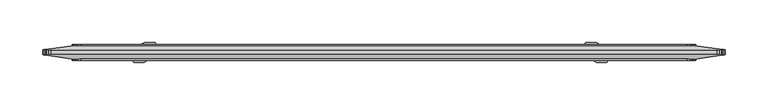
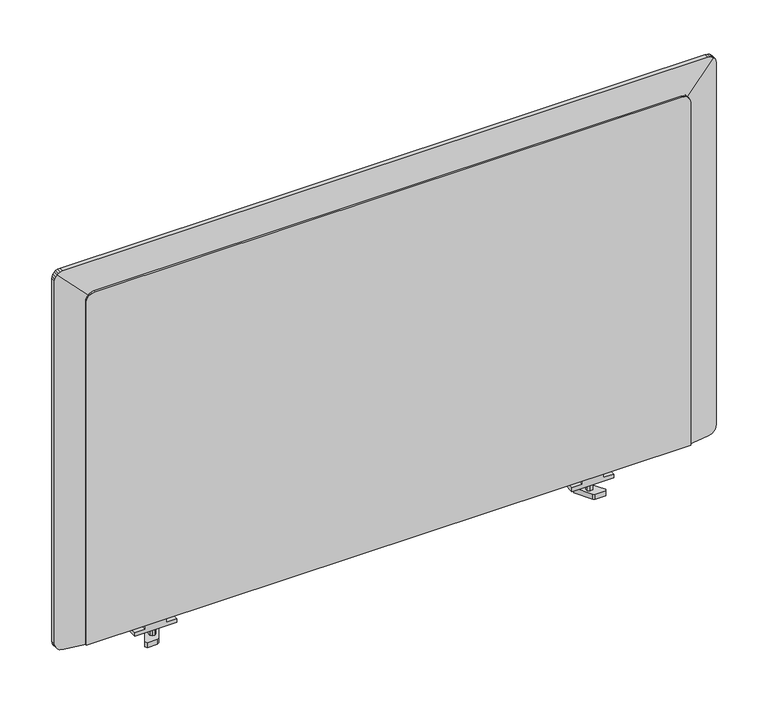
"""IFC4 building model written with IfcOpenShell, lengths in millimetres: furniture geometry."""

from ifc_helpers import new_model, si_unit, frame, origin, place, context, project, spatial, polyline, outline, extrude, faceted_brep, source, transform, mapped, element, save


def furniture_4289000c(model_context):
    return source(origin(), model_context, "Body", "SolidModel", [
        extrude(outline(polyline([(554.9712052, 677.6719985), (559.6701917, 677.6719985), (559.6701917, 664.9720015), (565.8866, 664.9720015), (565.8866, 639.5719985), (559.6701917, 639.5719985), (559.6701917, 626.8720015), (554.9712052, 626.8720015), (554.9712052, 677.6719985)])), frame((0.0, -16.6504619, 0.0), z_axis=(0.0, 1.0, 0.0), x_axis=(0.0, 0.0, 1.0)), (0.0, 0.0, 1.0), 13.9700003),
        extrude(outline(polyline([(656.1063817, -10.5329201), (654.2572395, -12.9427704), (651.2456773, -13.3392502), (648.8358226, -11.490107), (648.4393442, -8.478544), (650.2884864, -6.0686936), (653.3000486, -5.6722139), (655.7099033, -7.5213571), (656.1063817, -10.5329201)])), frame((0.0, 0.0, 545.1850293), z_axis=(0.0, 0.0, 1.0), x_axis=(1.0, 0.0, 0.0)), (0.0, 0.0, 1.0), 9.7861759),
        extrude(outline(polyline([(655.0504929, 0.8486721), (666.5667958, -19.0981369), (665.2469726, -21.3841369), (652.9286202, -21.3841369), (650.2889739, -19.8601361), (638.7726801, 0.0866728), (640.0925033, 2.3726729), (652.4108466, 2.3726729), (655.0504929, 0.8486721)])), frame((0.0, 0.0, 538.8350535), z_axis=(0.0, 0.0, 1.0), x_axis=(1.0, 0.0, 0.0)), (0.0, 0.0, 1.0), 6.4153217),
        extrude(outline(polyline([(554.9712052, 96.2778481), (554.9712052, 147.0778451), (559.6701917, 147.0778451), (559.6701917, 134.3778481), (565.8866, 134.3778481), (565.8866, 108.9778451), (559.6701917, 108.9778451), (559.6701917, 96.2778481), (554.9712052, 96.2778481)])), frame((0.0, -16.6504619, 0.0), z_axis=(0.0, 1.0, 0.0), x_axis=(0.0, 0.0, 1.0)), (0.0, 0.0, 1.0), 13.9700003),
        extrude(outline(polyline([(117.8434649, -10.5329201), (118.2399433, -7.5213571), (120.649798, -5.6722139), (123.6613602, -6.0686936), (125.5105024, -8.478544), (125.114024, -11.490107), (122.7041693, -13.3392502), (119.6926071, -12.9427704), (117.8434649, -10.5329201)])), frame((0.0, 0.0, 545.1850293), z_axis=(0.0, 0.0, 1.0), x_axis=(1.0, 0.0, 0.0)), (0.0, 0.0, 1.0), 9.7861759),
        extrude(outline(polyline([(118.8993537, 0.8486721), (121.539, 2.3726729), (133.8573433, 2.3726729), (135.1771665, 0.0866728), (123.6608727, -19.8601361), (121.0212264, -21.3841369), (108.702874, -21.3841369), (107.3830508, -19.0981369), (118.8993537, 0.8486721)])), frame((0.0, 0.0, 538.8350535), z_axis=(0.0, 0.0, 1.0), x_axis=(1.0, 0.0, 0.0)), (0.0, 0.0, 1.0), 6.4153217),
        extrude(outline(polyline([(1016.2286, 759.3138925), (1016.2286, 46.8257121), (1015.5425549, 43.184392), (1014.4544673, 40.7952556), (1013.1732955, 39.2079102), (1011.2612029, 37.7230447), (1008.9355454, 36.7081476), (1006.2783493, 36.322), (565.8866, 36.322), (565.8866, 769.874), (1005.8902758, 769.874), (1008.9355454, 769.431457), (1011.2612029, 768.4165599), (1013.1732955, 766.9316944), (1014.4544673, 765.3443489), (1015.5425549, 762.9552125), (1016.2286, 759.3138925)])), frame((0.0, -19.05, 0.0), z_axis=(0.0, 1.0, 0.0), x_axis=(0.0, 0.0, 1.0)), (0.0, 0.0, 1.0), 19.05),
        faceted_brep([(766.6426046, -1.27, 565.8866), (766.6426046, -1.27, 1012.9972046), (801.7301432, -6.201232, 1048.0847432), (803.2709553, -6.417779, 1046.1006069), (804.2858524, -6.5604135, 1043.7749494), (804.672, -6.614683, 1041.1177533), (804.672, -6.614683, 575.7954467), (804.2858524, -6.5604135, 573.1382506), (803.2709553, -6.417779, 570.8125931), (801.7860898, -6.2090948, 568.9005005), (799.4949568, -5.887097, 567.0512906), (798.7365268, -5.7805066, 566.7058778), (794.3880479, -5.1693678, 565.8866), (766.6426046, -17.78, 1012.9972046), (766.6426046, -17.78, 565.8866), (794.3880479, -13.6835084, 565.8866), (798.7365268, -13.0414748, 566.7058778), (799.4949568, -12.929496, 567.0512906), (801.7860898, -12.5912203, 568.9005005), (803.2709553, -12.3719865, 570.8125931), (804.2858524, -12.2221415, 573.1382506), (804.672, -12.1651285, 575.7954467), (804.672, -12.1651285, 1041.1177533), (804.2858524, -12.2221415, 1043.7749494), (803.2709553, -12.3719865, 1046.1006069), (801.7301432, -12.5994806, 1048.0847432), (39.5533954, -1.27, 1012.9972046), (39.5533954, -1.27, 565.8866), (11.7921534, -5.1715881, 565.8866), (7.4594732, -5.7805066, 566.7029012), (6.7010432, -5.887097, 567.048314), (4.4099102, -6.2090948, 568.897524), (2.9250447, -6.417779, 570.8096166), (1.9101476, -6.5604135, 573.135274), (1.524, -6.614683, 575.7924702), (1.524, -6.614683, 1041.1177533), (1.9101476, -6.5604135, 1043.7749494), (2.9250447, -6.417779, 1046.1006069), (4.4658568, -6.201232, 1048.0847432), (39.5533954, -17.78, 565.8866), (39.5533954, -17.78, 1012.9972046), (4.4658568, -12.5994806, 1048.0847432), (2.9250447, -12.3719865, 1046.1006069), (1.9101476, -12.2221415, 1043.7749494), (1.524, -12.1651285, 1041.1177533), (1.524, -12.1651285, 575.7924702), (1.9101476, -12.2221415, 573.135274), (2.9250447, -12.3719865, 570.8096166), (4.4099102, -12.5912203, 568.897524), (6.7010432, -12.929496, 567.048314), (7.4594732, -13.0414748, 566.7029012), (11.7921534, -13.6811758, 565.8866), (5.9972556, -6.3711638, 1049.2938713), (8.386392, -6.5240846, 1050.3819589), (11.8079521, -6.614683, 1051.0266), (794.388048, -6.614683, 1051.0266), (797.809608, -6.5240846, 1050.3819589), (800.1987444, -6.3711638, 1049.2938713), (800.1987444, -12.4209582, 1049.2938713), (797.809608, -12.2603069, 1050.3819589), (794.388048, -12.1651285, 1051.0266), (11.8079521, -12.1651285, 1051.0266), (8.386392, -12.2603069, 1050.3819589), (5.9972556, -12.4209582, 1049.2938713)], [[[0, 1, 2, 3, 4, 5, 6, 7, 8, 9, 10, 11, 12]], [[13, 14, 15, 16, 17, 18, 19, 20, 21, 22, 23, 24, 25]], [[26, 27, 28, 29, 30, 31, 32, 33, 34, 35, 36, 37, 38]], [[39, 40, 41, 42, 43, 44, 45, 46, 47, 48, 49, 50, 51]], [[1, 26, 38, 52, 53, 54, 55, 56, 57, 2]], [[40, 13, 25, 58, 59, 60, 61, 62, 63, 41]], [[1, 0, 14, 13]], [[39, 27, 26, 40]], [[26, 1, 13, 40]], [[6, 5, 22, 21]], [[44, 35, 34, 45]], [[54, 61, 60, 55]], [[36, 43, 42, 37]], [[41, 38, 37, 42]], [[38, 41, 63, 52]], [[52, 63, 62, 53]], [[53, 62, 61, 54]], [[43, 36, 35, 44]], [[3, 24, 23, 4]], [[2, 25, 24, 3]], [[25, 2, 57, 58]], [[58, 57, 56, 59]], [[59, 56, 55, 60]], [[4, 23, 22, 5]], [[27, 39, 51, 28]], [[14, 0, 12, 15]], [[7, 20, 19, 8]], [[8, 19, 18, 9]], [[9, 18, 17, 10]], [[10, 17, 16, 11]], [[11, 16, 15, 12]], [[20, 7, 6, 21]], [[33, 46, 45, 34]], [[50, 29, 28, 51]], [[29, 50, 49, 30]], [[30, 49, 48, 31]], [[31, 48, 47, 32]], [[46, 33, 32, 47]]]),
    ])


if __name__ == "__main__":
    model = new_model("IFC4")
    model_context = context("Model", 3, world=origin())
    ifc_project = project(units=[si_unit("LENGTHUNIT", "METRE", prefix="MILLI")], contexts=[model_context])
    site = spatial("IfcSite", under=ifc_project)
    building = spatial("IfcBuilding", under=site)
    placement = place(None, origin())
    furniture_shape = furniture_4289000c(model_context)
    element("IfcFurniture", 1, at=placement, inside=building, context=model_context, shape_type="MappedRepresentation", body=[
        mapped(furniture_shape, transform((0.0, 0.0, 0.0), x_axis=(1.0, 0.0, 0.0), y_axis=(0.0, 1.0, 0.0), z_axis=(0.0, 0.0, 1.0))),
    ])
    save(model, "model.ifc")
